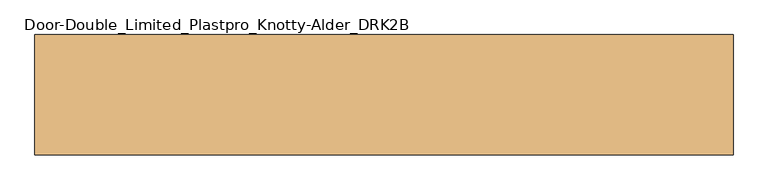
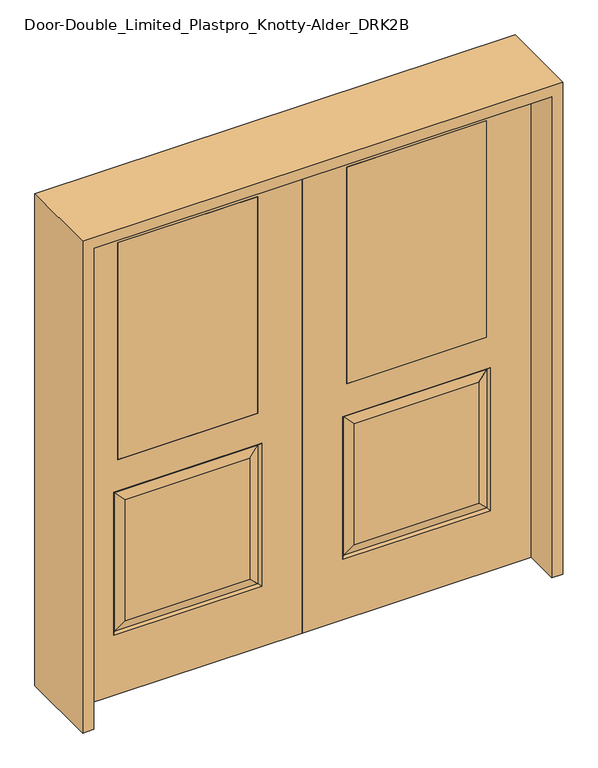
"""IFC4 building model written with IfcOpenShell, lengths in millimetres: door geometry, Door-Double_Limited_Plastpro_Knotty-Alder_DRK2B."""

from ifc_helpers import new_model, si_unit, frame, origin, place, context, project, spatial, polyline, outline, extrude, faceted_brep, source, transform, mapped, element, save


def door_double_limited_plastpro_knotty_alder_drk2b_72d5d98a(model_context):
    return source(origin(), model_context, "Body", "SolidModel", [
        extrude(outline(polyline([(177.8, -22.225), (177.8, 22.225), (736.6, 22.225), (736.6, -22.225), (177.8, -22.225)])), frame((0.0, 0.0, 990.6), z_axis=(0.0, 0.0, 1.0), x_axis=(1.0, 0.0, 0.0)), (0.0, 0.0, 1.0), 914.4),
        faceted_brep([(0.0, 22.225, 0.0), (914.4, 22.225, 0.0), (914.4, -22.225, 0.0), (0.0, -22.225, 0.0), (0.0, 22.225, 2032.0), (0.0, -22.225, 2032.0), (914.4, -22.225, 2032.0), (161.925, -22.225, 254.0), (161.925, -22.225, 857.25), (752.475, -22.225, 857.25), (752.475, -22.225, 254.0), (736.6, -22.225, 1905.0), (736.6, -22.225, 990.6), (177.8, -22.225, 990.6), (177.8, -22.225, 1905.0), (706.4375, -22.225, 300.0375), (706.4375, -22.225, 811.2125), (207.9625, -22.225, 811.2125), (207.9625, -22.225, 300.0375), (914.4, 22.225, 2032.0), (161.925, 22.225, 857.25), (161.925, 22.225, 254.0), (752.475, 22.225, 254.0), (752.475, 22.225, 857.25), (177.8, 22.225, 1905.0), (177.8, 22.225, 990.6), (736.6, 22.225, 990.6), (736.6, 22.225, 1905.0), (706.4375, 22.225, 811.2125), (706.4375, 22.225, 300.0375), (207.9625, 22.225, 300.0375), (207.9625, 22.225, 811.2125), (170.9052561, 13.2447439, 848.2697439), (743.4947439, 13.2447439, 848.2697439), (743.4947439, 13.2447439, 262.9802561), (170.9052561, 13.2447439, 262.9802561), (170.9052561, -13.2447439, 262.9802561), (743.4947439, -13.2447439, 262.9802561), (743.4947439, -13.2447439, 848.2697439), (170.9052561, -13.2447439, 848.2697439)], [[[0, 1, 2, 3]], [[4, 0, 3, 5]], [[5, 3, 2, 6], [7, 8, 9, 10], [11, 12, 13, 14]], [[15, 16, 17, 18]], [[6, 2, 1, 19]], [[19, 1, 0, 4], [20, 21, 22, 23], [24, 25, 26, 27]], [[28, 29, 30, 31]], [[32, 20, 23, 33]], [[23, 22, 34, 33]], [[22, 21, 35, 34]], [[32, 35, 21, 20]], [[33, 28, 31, 32]], [[31, 30, 35, 32]], [[34, 35, 30, 29]], [[33, 34, 29, 28]], [[27, 26, 12, 11]], [[26, 25, 13, 12]], [[14, 13, 25, 24]], [[36, 7, 10, 37]], [[10, 9, 38, 37]], [[9, 8, 39, 38]], [[36, 39, 8, 7]], [[37, 15, 18, 36]], [[18, 17, 39, 36]], [[38, 39, 17, 16]], [[37, 38, 16, 15]], [[4, 5, 6, 19]], [[11, 14, 24, 27]]]),
        extrude(outline(polyline([(-177.8, -22.225), (-736.6, -22.225), (-736.6, 22.225), (-177.8, 22.225), (-177.8, -22.225)])), frame((0.0, 0.0, 990.6), z_axis=(0.0, 0.0, 1.0), x_axis=(1.0, 0.0, 0.0)), (0.0, 0.0, 1.0), 914.4),
        faceted_brep([(0.0, 22.225, 0.0), (0.0, -22.225, 0.0), (-914.4, -22.225, 0.0), (-914.4, 22.225, 0.0), (0.0, 22.225, 2032.0), (0.0, -22.225, 2032.0), (-706.4375, -22.225, 300.0375), (-207.9625, -22.225, 300.0375), (-207.9625, -22.225, 811.2125), (-706.4375, -22.225, 811.2125), (-914.4, -22.225, 2032.0), (-161.925, -22.225, 254.0), (-752.475, -22.225, 254.0), (-752.475, -22.225, 857.25), (-161.925, -22.225, 857.25), (-736.6, -22.225, 1905.0), (-177.8, -22.225, 1905.0), (-177.8, -22.225, 990.6), (-736.6, -22.225, 990.6), (-914.4, 22.225, 2032.0), (-706.4375, 22.225, 811.2125), (-207.9625, 22.225, 811.2125), (-207.9625, 22.225, 300.0375), (-706.4375, 22.225, 300.0375), (-161.925, 22.225, 857.25), (-752.475, 22.225, 857.25), (-752.475, 22.225, 254.0), (-161.925, 22.225, 254.0), (-177.8, 22.225, 1905.0), (-736.6, 22.225, 1905.0), (-736.6, 22.225, 990.6), (-177.8, 22.225, 990.6), (-170.9052561, 13.2447439, 848.2697439), (-743.4947439, 13.2447439, 848.2697439), (-743.4947439, 13.2447439, 262.9802561), (-170.9052561, 13.2447439, 262.9802561), (-170.9052561, -13.2447439, 262.9802561), (-743.4947439, -13.2447439, 262.9802561), (-743.4947439, -13.2447439, 848.2697439), (-170.9052561, -13.2447439, 848.2697439)], [[[0, 1, 2, 3]], [[4, 5, 1, 0]], [[6, 7, 8, 9]], [[5, 10, 2, 1], [11, 12, 13, 14], [15, 16, 17, 18]], [[10, 19, 3, 2]], [[20, 21, 22, 23]], [[19, 4, 0, 3], [24, 25, 26, 27], [28, 29, 30, 31]], [[32, 33, 25, 24]], [[25, 33, 34, 26]], [[26, 34, 35, 27]], [[32, 24, 27, 35]], [[33, 32, 21, 20]], [[21, 32, 35, 22]], [[34, 23, 22, 35]], [[33, 20, 23, 34]], [[29, 15, 18, 30]], [[30, 18, 17, 31]], [[16, 28, 31, 17]], [[36, 37, 12, 11]], [[12, 37, 38, 13]], [[13, 38, 39, 14]], [[36, 11, 14, 39]], [[37, 36, 7, 6]], [[7, 36, 39, 8]], [[38, 9, 8, 39]], [[37, 6, 9, 38]], [[4, 19, 10, 5]], [[15, 29, 28, 16]]]),
        extrude(outline(polyline([(2076.45, -958.85), (0.0, -958.85), (0.0, -914.4), (2032.0, -914.4), (2032.0, 914.4), (0.0, 914.4), (0.0, 958.85), (2076.45, 958.85), (2076.45, -958.85)])), frame((0.0, -165.1, 0.0), z_axis=(0.0, 1.0, 0.0), x_axis=(0.0, 0.0, 1.0)), (0.0, 0.0, 1.0), 330.2),
    ])


if __name__ == "__main__":
    model = new_model("IFC4")
    model_context = context("Model", 3, world=origin())
    ifc_project = project(units=[si_unit("LENGTHUNIT", "METRE", prefix="MILLI")], contexts=[model_context])
    site = spatial("IfcSite", under=ifc_project)
    building = spatial("IfcBuilding", under=site)
    placement = place(None, origin())
    door_double_limited_plastpro_knotty_alder_drk2b_shape = door_double_limited_plastpro_knotty_alder_drk2b_72d5d98a(model_context)
    element("IfcDoor", 1, ObjectType="Door-Double_Limited_Plastpro_Knotty-Alder_DRK2B", at=placement, inside=building, context=model_context, shape_type="MappedRepresentation", body=[
        mapped(door_double_limited_plastpro_knotty_alder_drk2b_shape, transform((0.0, 0.0, 0.0), x_axis=(1.0, 0.0, 0.0), y_axis=(0.0, 1.0, 0.0), z_axis=(0.0, 0.0, 1.0))),
    ])
    save(model, "model.ifc")
